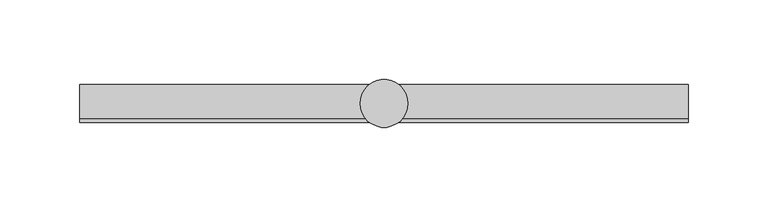
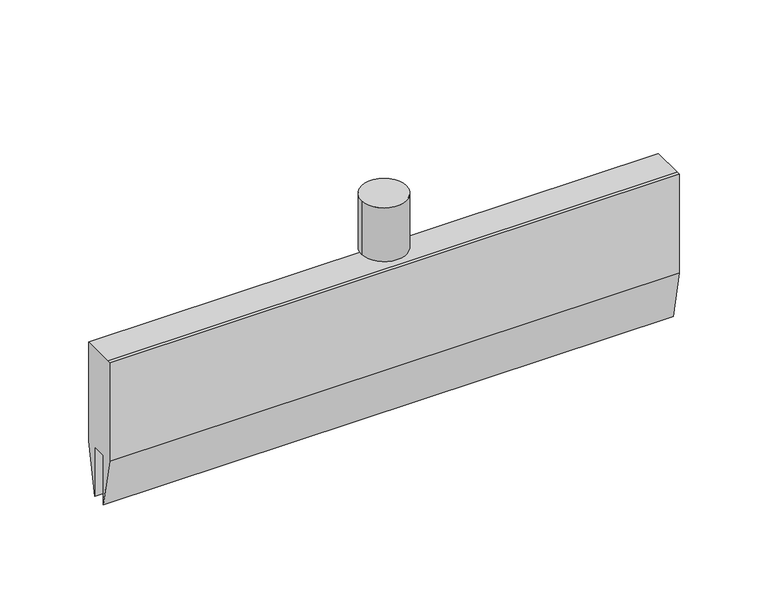
"""IFC4 building model written with IfcOpenShell, lengths in millimetres: proxy geometry."""

from ifc_helpers import new_model, si_unit, point, frame, origin, origin_2d, place, context, project, spatial, polyline, circle_curve, trimmed, segment, composite_curve, outline, extrude, source, transform, mapped, element, save


def specialty_equipment_0181a7cd(model_context):
    return source(origin(), model_context, "Body", "SweptSolid", [
        extrude(outline(polyline([(12.0, 49.0), (12.0, -21.0), (5.0, -56.0), (5.0, -21.0), (-5.0, -21.0), (-5.0, -56.0), (-12.0, -21.0), (-12.0, 49.0), (-9.692747, 49.0), (12.0, 49.0)])), frame((-190.6588411, 0.0, 0.0), z_axis=(1.0, 0.0, 0.0), x_axis=(0.0, 1.0, 0.0)), (0.0, 0.0, 1.0), 381.3176822),
        extrude(outline(composite_curve([segment(trimmed(circle_curve(origin_2d(), 15.0), [point((-15.0, 0.0))], [point((15.0, 0.0))], False, "CARTESIAN"), True, "CONTINUOUS"), segment(trimmed(circle_curve(origin_2d(), 15.0), [point((15.0, 0.0))], [point((-15.0, 0.0))], False, "CARTESIAN"), True, "CONTINUOUS")], self_intersect=False)), frame((0.0, 0.0, 57.0), z_axis=(0.0, 0.0, 1.0), x_axis=(1.0, 0.0, 0.0)), (0.0, 0.0, 1.0), 38.0),
    ])


if __name__ == "__main__":
    model = new_model("IFC4")
    model_context = context("Model", 3, world=origin())
    ifc_project = project(units=[si_unit("LENGTHUNIT", "METRE", prefix="MILLI")], contexts=[model_context])
    site = spatial("IfcSite", under=ifc_project)
    building = spatial("IfcBuilding", under=site)
    placement = place(None, origin())
    specialty_equipment_shape = specialty_equipment_0181a7cd(model_context)
    element("IfcBuildingElementProxy", 1, Name="Specialty Equipment", at=placement, inside=building, context=model_context, shape_type="MappedRepresentation", body=[
        mapped(specialty_equipment_shape, transform((0.0, 0.0, 0.0), x_axis=(1.0, 0.0, 0.0), y_axis=(0.0, 1.0, 0.0), z_axis=(0.0, 0.0, 1.0))),
    ])
    save(model, "model.ifc")
